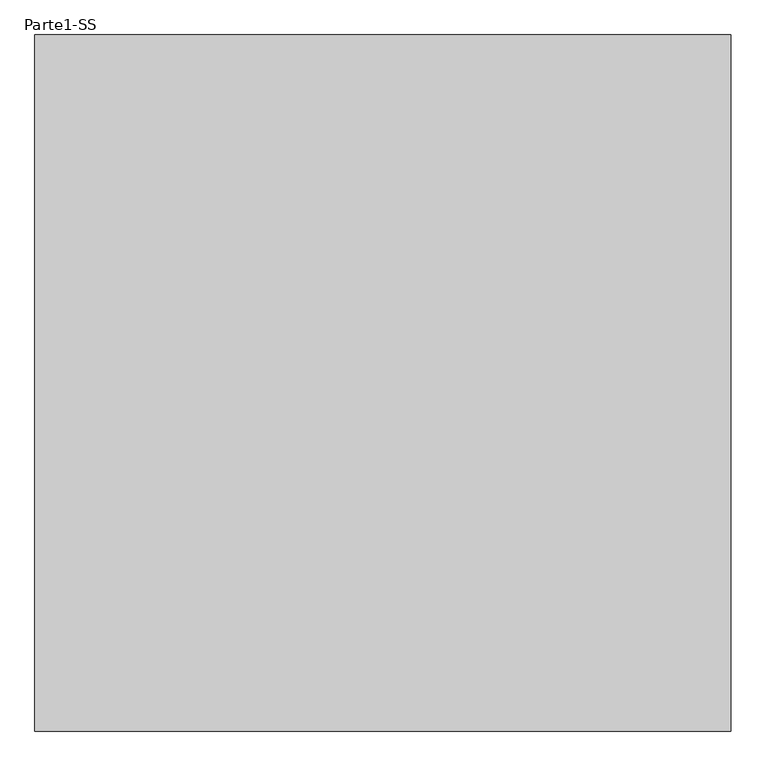
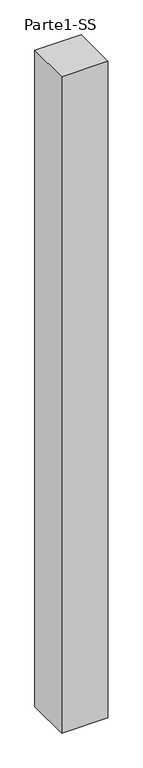
"""IFC4 building model written with IfcOpenShell, lengths in millimetres: proxy geometry, Parte1-SS."""

from ifc_helpers import new_model, si_unit, frame, origin, place, context, project, spatial, polyline, outline, extrude, source, transform, mapped, element, save


def parte1_ss_49754411(model_context):
    return source(origin(), model_context, "Body", "SweptSolid", [
        extrude(outline(polyline([(4000.0, 4000.0), (4000.0, 0.0), (0.0, 0.0), (0.0, 4000.0), (4000.0, 4000.0)])), frame((0.0, 0.0, 5000.0), z_axis=(0.0, 0.0, 1.0), x_axis=(1.0, 0.0, 0.0)), (0.0, 0.0, 1.0), 60000.0),
    ])


if __name__ == "__main__":
    model = new_model("IFC4")
    model_context = context("Model", 3, world=origin())
    ifc_project = project(units=[si_unit("LENGTHUNIT", "METRE", prefix="MILLI")], contexts=[model_context])
    site = spatial("IfcSite", under=ifc_project)
    building = spatial("IfcBuilding", under=site)
    placement = place(None, origin())
    parte1_ss_shape = parte1_ss_49754411(model_context)
    element("IfcBuildingElementProxy", 1, Name="Parte1-SS", ObjectType="Parte1-SS", at=placement, inside=building, context=model_context, shape_type="MappedRepresentation", body=[
        mapped(parte1_ss_shape, transform((0.0, 0.0, 0.0), x_axis=(1.0, 0.0, 0.0), y_axis=(0.0, 1.0, 0.0), z_axis=(0.0, 0.0, 1.0))),
    ])
    save(model, "model.ifc")
